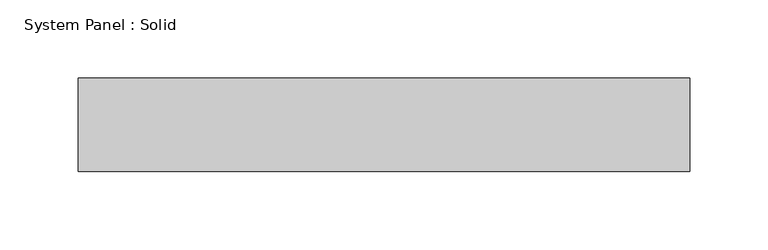
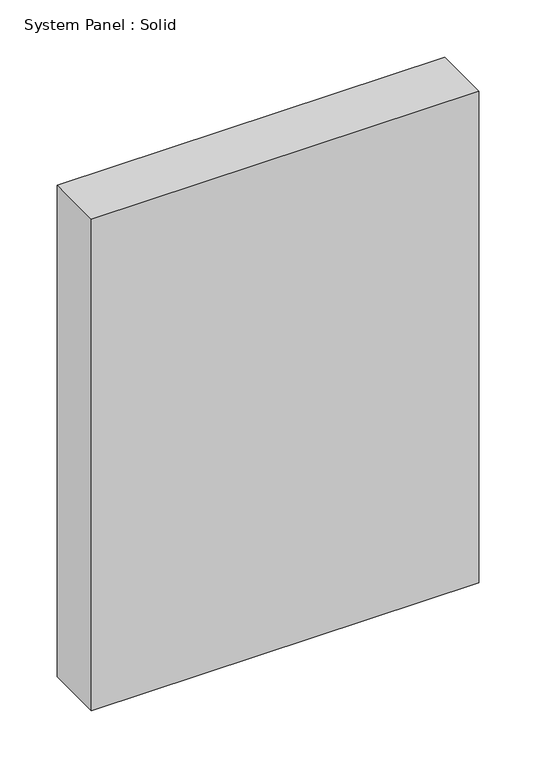
"""IFC4 building model written with IfcOpenShell, lengths in millimetres: plate geometry, System Panel : Solid."""

from ifc_helpers import new_model, si_unit, origin, origin_with_axes, place, context, project, spatial, polyline, outline, extrude, source, transform, mapped, element, save


def system_panel_solid_f8ddfd4b(model_context):
    return source(origin(), model_context, "Body", "SweptSolid", [
        extrude(outline(polyline([(195.7612579, -49.5), (-195.7612579, -49.5), (-195.7612579, 10.5), (195.7612579, 10.5), (195.7612579, -49.5)])), origin_with_axes(), (0.0, 0.0, 1.0), 525.0),
    ])


if __name__ == "__main__":
    model = new_model("IFC4")
    model_context = context("Model", 3, world=origin())
    ifc_project = project(units=[si_unit("LENGTHUNIT", "METRE", prefix="MILLI")], contexts=[model_context])
    site = spatial("IfcSite", under=ifc_project)
    building = spatial("IfcBuilding", under=site)
    placement = place(None, origin())
    system_panel_solid_shape = system_panel_solid_f8ddfd4b(model_context)
    element("IfcPlate", 1, ObjectType="System Panel : Solid", at=placement, inside=building, context=model_context, shape_type="MappedRepresentation", body=[
        mapped(system_panel_solid_shape, transform((0.0, 0.0, 0.0), x_axis=(1.0, 0.0, 0.0), y_axis=(0.0, 1.0, 0.0), z_axis=(0.0, 0.0, 1.0))),
    ])
    save(model, "model.ifc")
